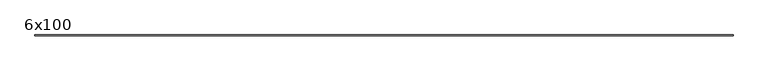
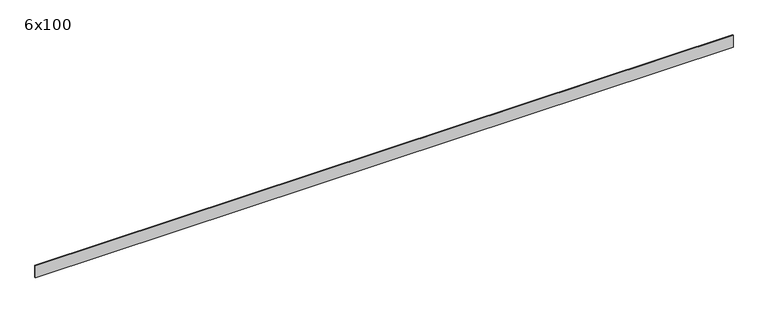
"""IFC4 building model written with IfcOpenShell, lengths in millimetres: beam geometry, 6x100."""

from ifc_helpers import new_model, si_unit, frame, origin, place, context, project, spatial, polyline, outline, extrude, source, transform, mapped, element, save


def beam_6x100_2a36a9b2(model_context):
    return source(origin(), model_context, "Body", "SweptSolid", [
        extrude(outline(polyline([(2807.3610437, 3.0), (2807.3610437, -3.0), (-2796.8253408, -3.0), (-2796.8253408, 3.0), (2807.3610437, 3.0)])), frame((0.0, 0.0, -50.0), z_axis=(0.0, 0.0, 1.0), x_axis=(1.0, 0.0, 0.0)), (0.0, 0.0, 1.0), 100.0),
    ])


if __name__ == "__main__":
    model = new_model("IFC4")
    model_context = context("Model", 3, world=origin())
    ifc_project = project(units=[si_unit("LENGTHUNIT", "METRE", prefix="MILLI")], contexts=[model_context])
    site = spatial("IfcSite", under=ifc_project)
    building = spatial("IfcBuilding", under=site)
    placement = place(None, origin())
    beam_6x100_shape = beam_6x100_2a36a9b2(model_context)
    element("IfcBeam", 1, ObjectType="6x100", at=placement, inside=building, context=model_context, shape_type="MappedRepresentation", body=[
        mapped(beam_6x100_shape, transform((0.0, 0.0, 0.0), x_axis=(1.0, 0.0, 0.0), y_axis=(0.0, 1.0, 0.0), z_axis=(0.0, 0.0, 1.0))),
    ])
    save(model, "model.ifc")
